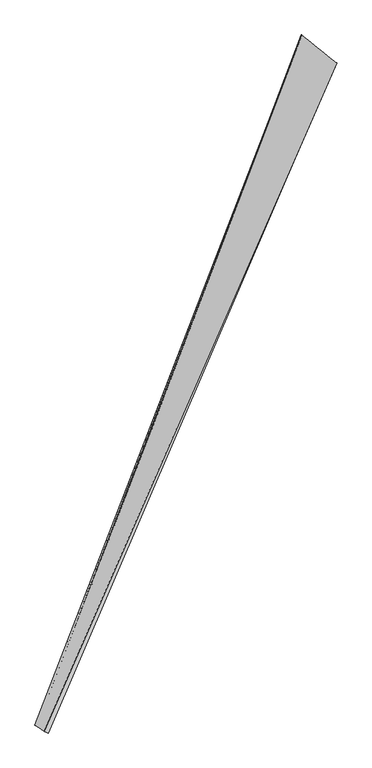
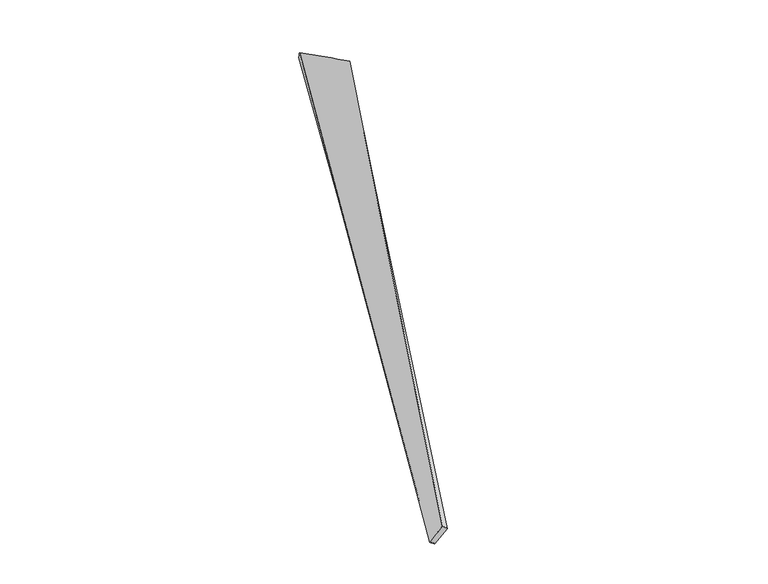
"""IFC4 building model written with IfcOpenShell, lengths in millimetres: proxy geometry."""

from ifc_helpers import new_model, si_unit, origin, place, context, project, spatial, source, transform, mapped, element, save
from ifc_brep_helpers import spline_surface, advanced_brep


def generic_models_94ef1615(model_context):
    return source(origin(), model_context, "Body", "AdvancedBrep", [
        advanced_brep(
        [(-692.3403806, -1753.9289643, 49.906614), (-669.9787014, -1764.0015599, 32.6295158), (964.4215581, 2038.163444, -42.6514392), (967.046726, 2037.5084355, -12.7736973), (-720.3770274, -1728.076133, -64.6138715), (766.8984444, 2196.9927438, -17.073532), (-744.8049345, -1718.8577966, -49.8389051), (770.0985892, 2195.2783253, 12.7059885)],
        [
            (0, 1),
            (1, 2),
            (2, 3),
            (3, 0),
            (1, 4),
            (4, 5),
            (5, 2),
            (4, 6),
            (6, 7),
            (7, 5),
            (6, 0),
            (3, 7),
        ],
        [
            spline_surface(1, 1, [[(-692.3403806, -1753.9289643, 49.906614), (967.046726, 2037.5084355, -12.7736973)], [(-669.9787014, -1764.0015599, 32.6295158), (964.4215581, 2038.163444, -42.6514392)]], [2, 2], [2, 2], [0.0, 1.0], [0.0, 1.0]),
            spline_surface(1, 1, [[(-669.9787014, -1764.0015599, 32.6295158), (964.4215581, 2038.163444, -42.6514392)], [(-720.3770274, -1728.076133, -64.6138715), (766.8984444, 2196.9927438, -17.073532)]], [2, 2], [2, 2], [0.0, 1.0], [0.0, 1.0]),
            spline_surface(1, 1, [[(-720.3770274, -1728.076133, -64.6138715), (766.8984444, 2196.9927438, -17.073532)], [(-744.8049345, -1718.8577966, -49.8389051), (770.0985892, 2195.2783253, 12.7059885)]], [2, 2], [2, 2], [0.0, 1.0], [0.0, 1.0]),
            spline_surface(1, 1, [[(-744.8049345, -1718.8577966, -49.8389051), (770.0985892, 2195.2783253, 12.7059885)], [(-692.3403806, -1753.9289643, 49.906614), (967.046726, 2037.5084355, -12.7736973)]], [2, 2], [2, 2], [0.0, 1.0], [0.0, 1.0]),
            spline_surface(1, 1, [[(964.4215581, 2038.163444, -42.6514392), (967.046726, 2037.5084355, -12.7736973)], [(766.8984444, 2196.9927438, -17.073532), (770.0985892, 2195.2783253, 12.7059885)]], [2, 2], [2, 2], [0.0, 1.0], [0.0, 1.0]),
            spline_surface(1, 1, [[(-744.8049345, -1718.8577966, -49.8389051), (-692.3403806, -1753.9289643, 49.906614)], [(-720.3770274, -1728.076133, -64.6138715), (-669.9787014, -1764.0015599, 32.6295158)]], [2, 2], [2, 2], [0.0, 1.0], [0.0, 1.0]),
        ],
        [
            (0, [[1, 2, 3, 4]]),
            (1, [[5, 6, 7, -2]]),
            (2, [[8, 9, 10, -6]]),
            (3, [[11, -4, 12, -9]]),
            (4, [[-3, -7, -10, -12]]),
            (5, [[-11, -8, -5, -1]]),
        ],
    ),
    ])


if __name__ == "__main__":
    model = new_model("IFC4")
    model_context = context("Model", 3, world=origin())
    ifc_project = project(units=[si_unit("LENGTHUNIT", "METRE", prefix="MILLI")], contexts=[model_context])
    site = spatial("IfcSite", under=ifc_project)
    building = spatial("IfcBuilding", under=site)
    placement = place(None, origin())
    generic_models_shape = generic_models_94ef1615(model_context)
    element("IfcBuildingElementProxy", 1, Name="Generic Models", at=placement, inside=building, context=model_context, shape_type="MappedRepresentation", body=[
        mapped(generic_models_shape, transform((0.0, 0.0, 0.0), x_axis=(1.0, 0.0, 0.0), y_axis=(0.0, 1.0, 0.0), z_axis=(0.0, 0.0, 1.0))),
    ])
    save(model, "model.ifc")
